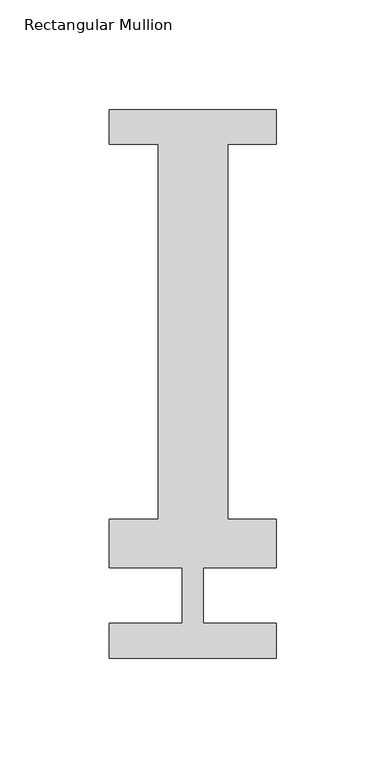
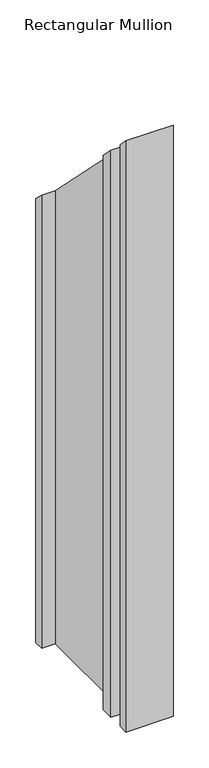
"""IFC4 building model written with IfcOpenShell, lengths in millimetres: member geometry, Rectangular Mullion."""

from ifc_helpers import new_model, si_unit, origin, place, context, project, spatial, faceted_brep, source, transform, mapped, element, save


def rectangular_mullion_9db5f868(model_context):
    return source(origin(), model_context, "Body", "Brep", [
        faceted_brep([(38.1, 221.996, -977.9), (38.1, 206.121, -977.9), (15.875, 206.121, -977.9), (15.875, 34.671, -977.9), (38.1, 34.671, -977.9), (38.1, 12.7, -977.9), (4.7625, 12.7, -977.9), (4.7625, -12.7, -977.9), (38.1, -12.7, -977.9), (38.1, -28.7131807, -977.9), (-38.1, -28.7131807, -977.9), (-38.1, -12.7, -977.9), (-4.7625, -12.7, -977.9), (-4.7625, 12.7, -977.9), (-38.1, 12.7, -977.9), (-38.1, 34.671, -977.9), (-15.875, 34.671, -977.9), (-15.875, 206.121, -977.9), (-38.1, 206.121, -977.9), (-38.1, 221.996, -977.9), (-38.1, 221.996, -221.996), (38.1, 221.996, -221.996), (-38.1, 206.121, -206.121), (-15.875, 206.121, -206.121), (-15.875, 34.671, -34.671), (-38.1, 34.671, -34.671), (-38.1, 12.7, -12.7), (-4.7625, 12.7, -12.7), (-4.7625, -12.7, 12.7), (-38.1, -12.7, 12.7), (-38.1, -28.7131807, 28.7131807), (38.1, -28.7131807, 28.7131807), (38.1, -12.7, 12.7), (4.7625, -12.7, 12.7), (4.7625, 12.7, -12.7), (38.1, 12.7, -12.7), (38.1, 34.671, -34.671), (15.875, 34.671, -34.671), (15.875, 206.121, -206.121), (38.1, 206.121, -206.121)], [[[0, 1, 2, 3, 4, 5, 6, 7, 8, 9, 10, 11, 12, 13, 14, 15, 16, 17, 18, 19]], [[20, 21, 0, 19]], [[22, 20, 19, 18]], [[23, 22, 18, 17]], [[24, 23, 17, 16]], [[25, 24, 16, 15]], [[26, 25, 15, 14]], [[27, 26, 14, 13]], [[28, 27, 13, 12]], [[29, 28, 12, 11]], [[30, 29, 11, 10]], [[31, 30, 10, 9]], [[32, 31, 9, 8]], [[33, 32, 8, 7]], [[34, 33, 7, 6]], [[35, 34, 6, 5]], [[36, 35, 5, 4]], [[37, 36, 4, 3]], [[38, 37, 3, 2]], [[39, 38, 2, 1]], [[21, 39, 1, 0]], [[21, 20, 22, 23, 24, 25, 26, 27, 28, 29, 30, 31, 32, 33, 34, 35, 36, 37, 38, 39]]]),
    ])


if __name__ == "__main__":
    model = new_model("IFC4")
    model_context = context("Model", 3, world=origin())
    ifc_project = project(units=[si_unit("LENGTHUNIT", "METRE", prefix="MILLI")], contexts=[model_context])
    site = spatial("IfcSite", under=ifc_project)
    building = spatial("IfcBuilding", under=site)
    placement = place(None, origin())
    rectangular_mullion_shape = rectangular_mullion_9db5f868(model_context)
    element("IfcMember", 1, ObjectType="Rectangular Mullion", at=placement, inside=building, context=model_context, shape_type="MappedRepresentation", body=[
        mapped(rectangular_mullion_shape, transform((0.0, 0.0, 0.0), x_axis=(1.0, 0.0, 0.0), y_axis=(0.0, 1.0, 0.0), z_axis=(0.0, 0.0, 1.0))),
    ])
    save(model, "model.ifc")
